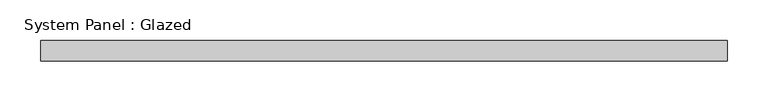
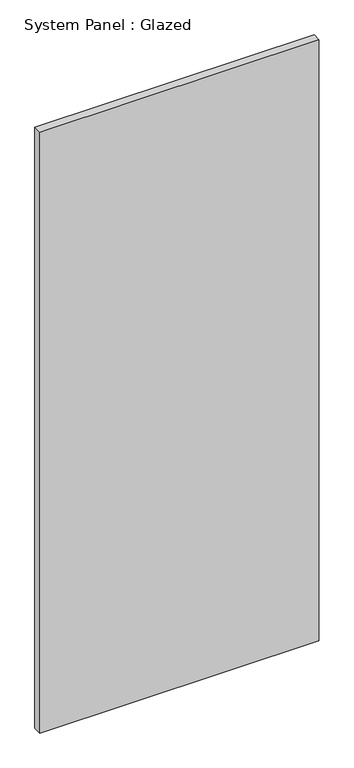
"""IFC4 building model written with IfcOpenShell, lengths in millimetres: plate geometry, System Panel : Glazed."""

from ifc_helpers import new_model, si_unit, origin, origin_with_axes, place, context, project, spatial, polyline, outline, extrude, source, transform, mapped, element, save


def system_panel_glazed_38ca96a8(model_context):
    return source(origin(), model_context, "Body", "SweptSolid", [
        extrude(outline(polyline([(422.6459574, 19.05), (-422.6459574, 19.05), (-422.6459574, 44.45), (422.6459574, 44.45), (422.6459574, 19.05)])), origin_with_axes(), (0.0, 0.0, 1.0), 1924.05),
    ])


if __name__ == "__main__":
    model = new_model("IFC4")
    model_context = context("Model", 3, world=origin())
    ifc_project = project(units=[si_unit("LENGTHUNIT", "METRE", prefix="MILLI")], contexts=[model_context])
    site = spatial("IfcSite", under=ifc_project)
    building = spatial("IfcBuilding", under=site)
    placement = place(None, origin())
    system_panel_glazed_shape = system_panel_glazed_38ca96a8(model_context)
    element("IfcPlate", 1, ObjectType="System Panel : Glazed", at=placement, inside=building, context=model_context, shape_type="MappedRepresentation", body=[
        mapped(system_panel_glazed_shape, transform((0.0, 0.0, 0.0), x_axis=(1.0, 0.0, 0.0), y_axis=(0.0, 1.0, 0.0), z_axis=(0.0, 0.0, 1.0))),
    ])
    save(model, "model.ifc")
